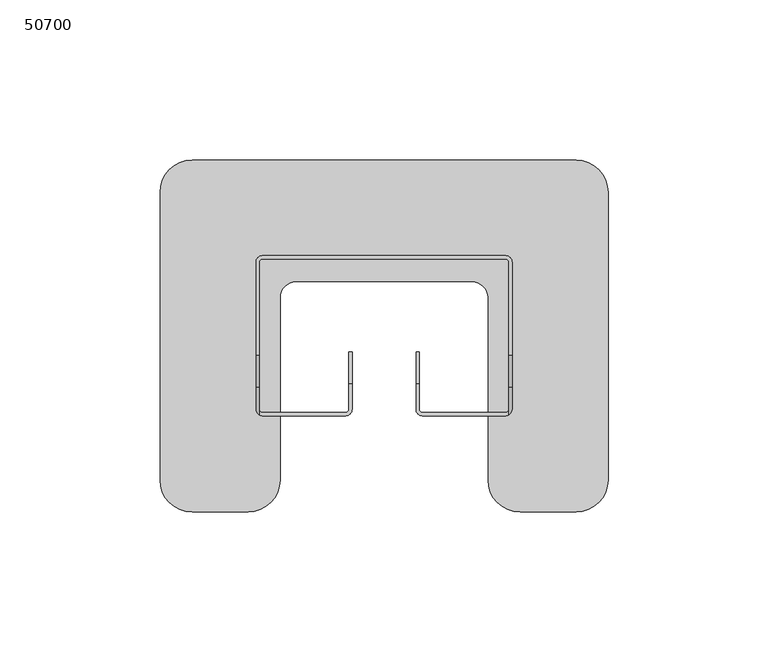
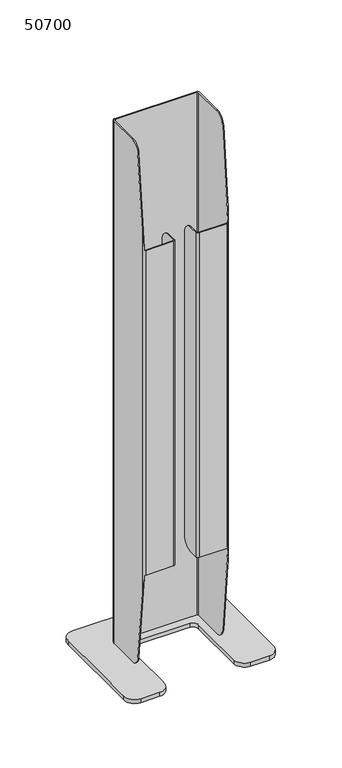
"""IFC4 building model written with IfcOpenShell, lengths in millimetres: furniture geometry, 50700."""

import ifcopenshell
import ifcopenshell.guid

model = None  # the IFC model being written
_history = None  # IfcOwnerHistory: only IFC2X3 demands one
_inside = {}  # id of a spatial element -> (the spatial element, [elements in it])
_under = {}  # id of a project, library or spatial element -> (it, [spatial elements below it])
_declared = {}  # id of a project -> (the project, [libraries it declares])
_typed = {}  # id of a type object -> (the type object, [elements of that type])
_made_of = {}  # id of a material, layer set ... -> (it, [elements and type objects made of it])


def new_model(schema):
    """Start an empty IFC model of exactly this schema.

    Asked for "IFC4X3", IfcOpenShell would pick the latest addendum, in which some entities
    have other attributes; the version numbers below select the first issue.
    IFC2X3 requires an IfcOwnerHistory on every rooted entity: one is made here for all.
    """
    global model, _history
    if schema == "IFC4X3":
        model = ifcopenshell.file(schema_version=(4, 3, 0, 0))
    else:
        model = ifcopenshell.file(schema=schema)
    _inside.clear()
    _under.clear()
    _declared.clear()
    _typed.clear()
    _made_of.clear()
    _history = None
    if model.schema == "IFC2X3":
        org = make("IfcOrganization", Name="unknown")
        user = make(
            "IfcPersonAndOrganization",
            ThePerson=make("IfcPerson", FamilyName="unknown"),
            TheOrganization=org,
        )
        app = make(
            "IfcApplication",
            ApplicationDeveloper=org,
            Version="unknown",
            ApplicationFullName="unknown",
            ApplicationIdentifier="unknown",
        )
        _history = make(
            "IfcOwnerHistory",
            OwningUser=user,
            OwningApplication=app,
            ChangeAction="ADDED",
            CreationDate=0,
        )
    return model


def make(cls, **values):
    """One entity of the class cls with the attributes given. An attribute that is None is left unset."""
    return model.create_entity(
        cls, **{name: value for name, value in values.items() if value is not None}
    )


def rooted(cls, **values):
    """An entity with a GlobalId (a new one), such as an element, a storey or a relation."""
    return make(cls, GlobalId=ifcopenshell.guid.new(), OwnerHistory=_history, **values)


def si_unit(unit_type, name, prefix=None):
    """IfcSIUnit, for example si_unit("LENGTHUNIT", "METRE", prefix="MILLI")."""
    return make("IfcSIUnit", UnitType=unit_type, Prefix=prefix, Name=name)


def assignment(units):
    """IfcUnitAssignment: the units of a project."""
    return None if units is None else make("IfcUnitAssignment", Units=units)


def point(xyz):
    """IfcCartesianPoint."""
    return None if xyz is None else make("IfcCartesianPoint", Coordinates=xyz)


def direction(xyz):
    """IfcDirection."""
    return None if xyz is None else make("IfcDirection", DirectionRatios=xyz)


def frame(location, z_axis=None, x_axis=None):
    """IfcAxis2Placement3D, a coordinate frame: its origin and axes. An axis left out is left unset."""
    return make(
        "IfcAxis2Placement3D",
        Location=point(location),
        Axis=direction(z_axis),
        RefDirection=direction(x_axis),
    )


def origin():
    """The frame at (0, 0, 0) with its axes left unset."""
    return frame((0.0, 0.0, 0.0))


def place(relative_to, where):
    """IfcLocalPlacement: puts the frame where relative to a parent placement (None: the world)."""
    return make(
        "IfcLocalPlacement", PlacementRelTo=relative_to, RelativePlacement=where
    )


def context(
    kind, dimensions, precision=None, world=None, true_north=None, identifier=None
):
    """IfcGeometricRepresentationContext, for example the 3D "Model" context."""
    return make(
        "IfcGeometricRepresentationContext",
        ContextIdentifier=identifier,
        ContextType=kind,
        CoordinateSpaceDimension=dimensions,
        Precision=precision,
        WorldCoordinateSystem=world,
        TrueNorth=true_north,
    )


def project(units=None, contexts=None):
    """IfcProject with its units and contexts."""
    return rooted(
        "IfcProject",
        Name="project",
        RepresentationContexts=contexts,
        UnitsInContext=assignment(units),
    )


def spatial(cls, under=None, at=None, **own):
    """A site, building, storey or space (cls), placed at a placement, below another one or the project."""
    s = rooted(cls, ObjectPlacement=at, **own)
    if under is not None:
        _under.setdefault(under.id(), (under, []))[1].append(s)
    return s


def polyline(points):
    """IfcPolyline through the points."""
    return make("IfcPolyline", Points=[point(p) for p in points])


def circle_curve(where, radius):
    """IfcCircle in the frame where."""
    return make("IfcCircle", Position=where, Radius=radius)


def ellipse_curve(where, semi_axis1, semi_axis2):
    """IfcEllipse in the frame where."""
    return make(
        "IfcEllipse", Position=where, SemiAxis1=semi_axis1, SemiAxis2=semi_axis2
    )


def shape(context_of_items, identifier, shape_type, items):
    """IfcShapeRepresentation: the items that make up one representation, for example the "Body"."""
    return make(
        "IfcShapeRepresentation",
        ContextOfItems=context_of_items,
        RepresentationIdentifier=identifier,
        RepresentationType=shape_type,
        Items=items,
    )


def source(mapping_origin, context_of_items, identifier, shape_type, items):
    """IfcRepresentationMap: a shape defined once, which mapped items show again and again."""
    return make(
        "IfcRepresentationMap",
        MappingOrigin=mapping_origin,
        MappedRepresentation=shape(context_of_items, identifier, shape_type, items),
    )


def transform(
    local_origin,
    x_axis=None,
    y_axis=None,
    z_axis=None,
    scale=None,
    scale2=None,
    scale3=None,
    uniform=True,
):
    """IfcCartesianTransformationOperator3D, or its non-uniform kind. x_axis, y_axis, z_axis: its Axis1, 2, 3."""
    if uniform:
        return make(
            "IfcCartesianTransformationOperator3D",
            Axis1=direction(x_axis),
            Axis2=direction(y_axis),
            LocalOrigin=point(local_origin),
            Scale=scale,
            Axis3=direction(z_axis),
        )
    return make(
        "IfcCartesianTransformationOperator3DnonUniform",
        Axis1=direction(x_axis),
        Axis2=direction(y_axis),
        LocalOrigin=point(local_origin),
        Scale=scale,
        Axis3=direction(z_axis),
        Scale2=scale2,
        Scale3=scale3,
    )


def mapped(mapping_source, mapping_target):
    """IfcMappedItem: shows the shape of a source again, moved by a transform."""
    return make(
        "IfcMappedItem", MappingSource=mapping_source, MappingTarget=mapping_target
    )


def made_of(thing, what):
    """Note that an element or type object is made of a material, layer set ...; save() writes the relation."""
    if what is not None:
        _made_of.setdefault(what.id(), (what, []))[1].append(thing)
    return thing


def element(
    cls,
    number,
    at=None,
    inside=None,
    cuts=None,
    type_object=None,
    material=None,
    context=None,
    identifier="Body",
    shape_type=None,
    held_by="IfcProductDefinitionShape",
    body=None,
    shapes=None,
    **own,
):
    """One element of the class cls, such as IfcWall. Its Tag is "e" and its number.

    at: its placement. inside: the storey or other place that contains it. cuts: it is an
    opening in that element (IfcRelVoidsElement). A single representation is given by context,
    identifier, shape_type and body (its items); several are given by shapes. held_by: the class
    of the entity that holds the representations. save() writes the other relations.
    """
    e = rooted(cls, Tag="e%d" % number, ObjectPlacement=at, **own)
    if body is not None:
        shapes = [shape(context, identifier, shape_type, body)]
    if shapes is not None:
        e.Representation = make(held_by, Representations=shapes)
    if inside is not None:
        _inside.setdefault(inside.id(), (inside, []))[1].append(e)
    if cuts is not None:
        rooted(
            "IfcRelVoidsElement", RelatingBuildingElement=cuts, RelatedOpeningElement=e
        )
    if type_object is not None:
        _typed.setdefault(type_object.id(), (type_object, []))[1].append(e)
    return made_of(e, material)


def aggregate(whole, parts):
    """IfcRelAggregates: a whole, such as a stair, and the parts it consists of."""
    return rooted("IfcRelAggregates", RelatingObject=whole, RelatedObjects=parts)


def save(model, path):
    """Write the relations noted so far, then the file.

    IfcRelAggregates (storeys below a building ...), IfcRelContainedInSpatialStructure (elements
    in a storey), IfcRelDefinesByType, IfcRelAssociatesMaterial and IfcRelDeclares: one each for
    every whole, place, type object, material and project.
    """
    for whole, parts in _under.values():
        aggregate(whole, parts)
    for where, things in _inside.values():
        rooted(
            "IfcRelContainedInSpatialStructure",
            RelatedElements=things,
            RelatingStructure=where,
        )
    for kind, things in _typed.values():
        rooted("IfcRelDefinesByType", RelatedObjects=things, RelatingType=kind)
    for what, things in _made_of.values():
        rooted("IfcRelAssociatesMaterial", RelatedObjects=things, RelatingMaterial=what)
    for by, libraries in _declared.values():
        rooted("IfcRelDeclares", RelatingContext=by, RelatedDefinitions=libraries)
    model.write(path)


def plane_surface(at):
    """IfcPlane: the flat surface through the origin of the frame at, square to its z axis."""
    return make("IfcPlane", Position=at)


def cylinder_surface(at, radius):
    """IfcCylindricalSurface: all points at the distance radius from the z axis of the frame at."""
    return make("IfcCylindricalSurface", Position=at, Radius=radius)


def revolved_surface(curve, axis_point, axis_direction):
    """IfcSurfaceOfRevolution: the curve turned about the line through axis_point along axis_direction."""
    return make(
        "IfcSurfaceOfRevolution",
        SweptCurve=make("IfcArbitraryOpenProfileDef", ProfileType="CURVE", Curve=curve),
        AxisPosition=make("IfcAxis1Placement", Location=point(axis_point), Axis=direction(axis_direction)),
    )


def advanced_brep(points, edges, surfaces, faces):
    """IfcAdvancedBrep: a solid bounded by faces that lie on surfaces and meet in shared edges.

    An edge is (start, end): straight between two places in points (the first is 0);
    or (start, end, curve); or (start, end, curve, False) where it runs against its curve.
    A face is (place in surfaces, loops), or (place, loops, False) where it looks against
    its surface's normal. A loop lists edges by number (the first is 1), with a minus sign
    where the edge is run from its end to its start. The first loop is the outer one.
    """
    corners = [point(p) for p in points]
    vertices = [make("IfcVertexPoint", VertexGeometry=c) for c in corners]
    made = []
    for start, end, *more in edges:
        made.append(
            make(
                "IfcEdgeCurve",
                EdgeStart=vertices[start],
                EdgeEnd=vertices[end],
                EdgeGeometry=more[0] if more else make("IfcPolyline", Points=[corners[start], corners[end]]),
                SameSense=more[1] if len(more) > 1 else True,
            )
        )
    hull = []
    for where, loops, *sense in faces:
        bounds = []
        for j, loop in enumerate(loops):
            ring = [make("IfcOrientedEdge", EdgeElement=made[abs(k) - 1], Orientation=k > 0) for k in loop]
            bounds.append(
                make(
                    "IfcFaceOuterBound" if j == 0 else "IfcFaceBound",
                    Bound=make("IfcEdgeLoop", EdgeList=ring),
                    Orientation=True,
                )
            )
        hull.append(make("IfcAdvancedFace", Bounds=bounds, FaceSurface=surfaces[where], SameSense=sense[0] if sense else True))
    return make("IfcAdvancedBrep", Outer=make("IfcClosedShell", CfsFaces=hull))


def furniture_50700_8c9eba67(model_context):
    return source(origin(), model_context, "Body", "AdvancedBrep", [
        advanced_brep(
        [(-70.0, -100.0, 4.0), (-60.0, -110.0, 4.0), (-42.5, -110.0, 4.0), (-32.5, -100.0, 4.0), (-32.5, -97.8447101, 4.0), (-32.5, -61.0, 4.0), (-32.5, -43.0, 4.0), (-27.5, -38.0, 4.0), (27.5, -38.0, 4.0), (32.5, -43.0, 4.0), (32.5, -61.0, 4.0), (32.5, -97.8447101, 4.0), (32.5, -100.0, 4.0), (42.5, -110.0, 4.0), (60.0, -110.0, 4.0), (70.0, -100.0, 4.0), (70.0, -97.8447101, 4.0), (70.0, -61.0, 4.0), (70.0, -10.0, 4.0), (60.0, 0.0, 4.0), (-60.0, 0.0, 4.0), (-70.0, -10.0, 4.0), (-70.0, -61.0, 4.0), (-70.0, -97.8447101, 4.0), (-70.0, -100.0, 0.0), (-70.0, -10.0, 0.0), (-60.0, 0.0, 0.0), (60.0, 0.0, 0.0), (70.0, -10.0, 0.0), (70.0, -100.0, 0.0), (60.0, -110.0, 0.0), (42.5, -110.0, 0.0), (32.5, -100.0, 0.0), (32.5, -43.0, 0.0), (27.5, -38.0, 0.0), (-27.5, -38.0, 0.0), (-32.5, -43.0, 0.0), (-32.5, -100.0, 0.0), (-42.5, -110.0, 0.0), (-60.0, -110.0, 0.0)],
        [
            (0, 1, circle_curve(frame((-60.0, -100.0, 4.0), z_axis=(0.0, 0.0, 1.0), x_axis=(1.0, 0.0, 0.0)), 10.0)),
            (1, 2),
            (2, 3, circle_curve(frame((-42.5, -100.0, 4.0), z_axis=(0.0, 0.0, 1.0), x_axis=(1.0, 0.0, 0.0)), 10.0)),
            (3, 4),
            (4, 5),
            (5, 6),
            (6, 7, circle_curve(frame((-27.5, -43.0, 4.0), z_axis=(0.0, 0.0, -1.0), x_axis=(1.0, 0.0, 0.0)), 5.0)),
            (7, 8),
            (8, 9, circle_curve(frame((27.5, -43.0, 4.0), z_axis=(0.0, 0.0, -1.0), x_axis=(1.0, 0.0, 0.0)), 5.0)),
            (9, 10),
            (10, 11),
            (11, 12),
            (12, 13, circle_curve(frame((42.5, -100.0, 4.0), z_axis=(0.0, 0.0, 1.0), x_axis=(1.0, 0.0, 0.0)), 10.0)),
            (13, 14),
            (14, 15, circle_curve(frame((60.0, -100.0, 4.0), z_axis=(0.0, 0.0, 1.0), x_axis=(1.0, 0.0, 0.0)), 10.0)),
            (15, 16),
            (16, 17),
            (17, 18),
            (18, 19, circle_curve(frame((60.0, -10.0, 4.0), z_axis=(0.0, 0.0, 1.0), x_axis=(1.0, 0.0, 0.0)), 10.0)),
            (19, 20),
            (20, 21, circle_curve(frame((-60.0, -10.0, 4.0), z_axis=(0.0, 0.0, 1.0), x_axis=(1.0, 0.0, 0.0)), 10.0)),
            (21, 22),
            (22, 23),
            (23, 0),
            (24, 25),
            (25, 26, circle_curve(frame((-60.0, -10.0, 0.0), z_axis=(0.0, 0.0, -1.0), x_axis=(1.0, 0.0, 0.0)), 10.0)),
            (26, 27),
            (27, 28, circle_curve(frame((60.0, -10.0, 0.0), z_axis=(0.0, 0.0, -1.0), x_axis=(1.0, 0.0, 0.0)), 10.0)),
            (28, 29),
            (29, 30, circle_curve(frame((60.0, -100.0, 0.0), z_axis=(0.0, 0.0, -1.0), x_axis=(1.0, 0.0, 0.0)), 10.0)),
            (30, 31),
            (31, 32, circle_curve(frame((42.5, -100.0, 0.0), z_axis=(0.0, 0.0, -1.0), x_axis=(1.0, 0.0, 0.0)), 10.0)),
            (32, 33),
            (33, 34, circle_curve(frame((27.5, -43.0, 0.0), z_axis=(0.0, 0.0, 1.0), x_axis=(1.0, 0.0, 0.0)), 5.0)),
            (34, 35),
            (35, 36, circle_curve(frame((-27.5, -43.0, 0.0), z_axis=(0.0, 0.0, 1.0), x_axis=(1.0, 0.0, 0.0)), 5.0)),
            (36, 37),
            (37, 38, circle_curve(frame((-42.5, -100.0, 0.0), z_axis=(0.0, 0.0, -1.0), x_axis=(1.0, 0.0, 0.0)), 10.0)),
            (38, 39),
            (39, 24, circle_curve(frame((-60.0, -100.0, 0.0), z_axis=(0.0, 0.0, -1.0), x_axis=(1.0, 0.0, 0.0)), 10.0)),
            (0, 24),
            (39, 1),
            (38, 2),
            (37, 3),
            (36, 6),
            (35, 7),
            (34, 8),
            (33, 9),
            (32, 12),
            (31, 13),
            (30, 14),
            (29, 15),
            (28, 18),
            (27, 19),
            (26, 20),
            (25, 21),
        ],
        [
            plane_surface(frame((-50.0, -100.0, 4.0), z_axis=(0.0, 0.0, 1.0), x_axis=(0.0, 1.0, 0.0))),
            plane_surface(frame((-50.0, -100.0, 0.0), z_axis=(0.0, 0.0, -1.0), x_axis=(0.0, -1.0, 0.0))),
            cylinder_surface(frame((-60.0, -100.0, 0.0), z_axis=(0.0, 0.0, 1.0), x_axis=(1.0, 0.0, 0.0)), 10.0),
            plane_surface(frame((-60.0, -110.0, 4.0), z_axis=(0.0, -1.0, 0.0), x_axis=(0.0, 0.0, -1.0))),
            cylinder_surface(frame((-42.5, -100.0, 0.0), z_axis=(0.0, 0.0, 1.0), x_axis=(1.0, 0.0, 0.0)), 10.0),
            plane_surface(frame((-32.5, -100.0, 4.0), z_axis=(1.0, 0.0, 0.0), x_axis=(0.0, 0.0, -1.0))),
            revolved_surface(polyline([(-22.5, -43.0, 0.0), (-22.5, -43.0, 4.0)]), (-27.5, -43.0, 0.0), (0.0, 0.0, -1.0)),
            plane_surface(frame((-27.5, -38.0, 4.0), z_axis=(0.0, -1.0, 0.0), x_axis=(0.0, 0.0, -1.0))),
            revolved_surface(polyline([(32.5, -43.0, 0.0), (32.5, -43.0, 4.0)]), (27.5, -43.0, 0.0), (0.0, 0.0, -1.0)),
            plane_surface(frame((32.5, -43.0, 4.0), z_axis=(-1.0, 0.0, 0.0), x_axis=(0.0, 0.0, -1.0))),
            cylinder_surface(frame((42.5, -100.0, 0.0), z_axis=(0.0, 0.0, 1.0), x_axis=(1.0, 0.0, 0.0)), 10.0),
            plane_surface(frame((42.5, -110.0, 4.0), z_axis=(0.0, -1.0, 0.0), x_axis=(0.0, 0.0, -1.0))),
            cylinder_surface(frame((60.0, -100.0, 0.0), z_axis=(0.0, 0.0, 1.0), x_axis=(1.0, 0.0, 0.0)), 10.0),
            plane_surface(frame((70.0, -100.0, 4.0), z_axis=(1.0, 0.0, 0.0), x_axis=(0.0, 0.0, -1.0))),
            cylinder_surface(frame((60.0, -10.0, 0.0), z_axis=(0.0, 0.0, 1.0), x_axis=(1.0, 0.0, 0.0)), 10.0),
            plane_surface(frame((60.0, 0.0, 4.0), z_axis=(0.0, 1.0, 0.0), x_axis=(0.0, 0.0, -1.0))),
            cylinder_surface(frame((-60.0, -10.0, 0.0), z_axis=(0.0, 0.0, 1.0), x_axis=(1.0, 0.0, 0.0)), 10.0),
            plane_surface(frame((-70.0, -10.0, 4.0), z_axis=(-1.0, 0.0, 0.0), x_axis=(0.0, 0.0, -1.0))),
        ],
        [
            (0, [[1, 2, 3, 4, 5, 6, 7, 8, 9, 10, 11, 12, 13, 14, 15, 16, 17, 18, 19, 20, 21, 22, 23, 24]]),
            (1, [[25, 26, 27, 28, 29, 30, 31, 32, 33, 34, 35, 36, 37, 38, 39, 40]]),
            (2, [[-1, 41, -40, 42]]),
            (3, [[-2, -42, -39, 43]]),
            (4, [[-3, -43, -38, 44]]),
            (5, [[-37, 45, -6, -5, -4, -44]]),
            (6, [[-7, -45, -36, 46]]),
            (7, [[-8, -46, -35, 47]]),
            (8, [[-9, -47, -34, 48]]),
            (9, [[-33, 49, -12, -11, -10, -48]]),
            (10, [[-13, -49, -32, 50]]),
            (11, [[-14, -50, -31, 51]]),
            (12, [[-15, -51, -30, 52]]),
            (13, [[-29, 53, -18, -17, -16, -52]]),
            (14, [[-19, -53, -28, 54]]),
            (15, [[-20, -54, -27, 55]]),
            (16, [[-21, -55, -26, 56]]),
            (17, [[-25, -41, -24, -23, -22, -56]]),
        ],
    ),
        advanced_brep(
        [(38.0, -30.0, 520.0), (-38.0, -30.0, 520.0), (-40.0, -32.0, 520.0), (-40.0, -61.0, 520.0), (-39.0, -61.0, 520.0), (-39.0, -32.0, 520.0), (-38.0, -31.0, 520.0), (38.0, -31.0, 520.0), (39.0, -32.0, 520.0), (39.0, -61.0, 520.0), (40.0, -61.0, 520.0), (40.0, -32.0, 520.0), (38.0, -30.0, 4.0), (40.0, -32.0, 4.0), (40.0, -61.0, 4.0), (39.0, -61.0, 4.0), (39.0, -32.0, 4.0), (38.0, -31.0, 4.0), (-38.0, -31.0, 4.0), (-39.0, -32.0, 4.0), (-39.0, -61.0, 4.0), (-40.0, -61.0, 4.0), (-40.0, -32.0, 4.0), (-38.0, -30.0, 4.0), (-40.0, -70.9463305, 12.9653456), (-40.0, -78.0, 80.773618), (-40.0, -78.0, 440.1102302), (-40.0, -70.9509105, 510.9896367), (-38.0, -80.0, 100.0), (-38.0, -80.0, 420.0), (-39.0, -79.7320508, 420.0), (-39.0, -79.7320508, 422.69426), (-39.0, -79.7320508, 97.4241532), (-39.0, -79.7320508, 100.0), (-12.0, -80.0, 100.0), (-12.0, -80.0, 420.0), (-10.0, -78.0, 100.0), (-10.0, -78.0, 420.0), (-10.0, -70.0, 100.0), (-10.0, -60.0, 110.0), (-10.0, -60.0, 410.0), (-10.0, -70.0, 420.0), (-11.0, -60.0, 110.0), (-11.0, -60.0, 410.0), (-11.0, -78.0, 100.0), (-11.0, -78.0, 420.0), (-11.0, -70.0, 420.0), (-11.0, -70.0, 100.0), (-12.0, -79.0, 100.0), (-12.0, -79.0, 420.0), (-38.0, -79.0, 100.0), (-38.0, -79.0, 420.0), (-39.0, -78.0, 100.0), (-39.0, -78.0, 420.0), (-39.0, -70.9509105, 510.9896367), (-39.0, -70.9463305, 12.9653456), (39.0, -70.9463305, 12.9653456), (39.0, -79.7320508, 97.4241532), (39.0, -79.7320508, 100.0), (39.0, -78.0, 100.0), (39.0, -78.0, 420.0), (39.0, -79.7320508, 420.0), (39.0, -79.7320508, 422.69426), (39.0, -70.9509105, 510.9896367), (38.0, -79.0, 100.0), (38.0, -79.0, 420.0), (12.0, -79.0, 100.0), (12.0, -79.0, 420.0), (11.0, -78.0, 100.0), (11.0, -78.0, 420.0), (11.0, -70.0, 100.0), (11.0, -60.0, 110.0), (11.0, -60.0, 410.0), (11.0, -70.0, 420.0), (10.0, -60.0, 110.0), (10.0, -60.0, 410.0), (10.0, -78.0, 100.0), (10.0, -78.0, 420.0), (10.0, -70.0, 420.0), (10.0, -70.0, 100.0), (12.0, -80.0, 100.0), (12.0, -80.0, 420.0), (38.0, -80.0, 100.0), (38.0, -80.0, 420.0), (40.0, -78.0, 80.773618), (40.0, -78.0, 440.1102302), (40.0, -70.9509105, 510.9896367), (40.0, -70.9463305, 12.9653456)],
        [
            (0, 1),
            (1, 2, circle_curve(frame((-38.0, -32.0, 520.0), z_axis=(0.0, 0.0, 1.0), x_axis=(1.0, 0.0, 0.0)), 2.0)),
            (2, 3),
            (3, 4),
            (4, 5),
            (5, 6, circle_curve(frame((-38.0, -32.0, 520.0), z_axis=(0.0, 0.0, -1.0), x_axis=(1.0, 0.0, 0.0)), 1.0)),
            (6, 7),
            (7, 8, circle_curve(frame((38.0, -32.0, 520.0), z_axis=(0.0, 0.0, -1.0), x_axis=(1.0, 0.0, 0.0)), 1.0)),
            (8, 9),
            (9, 10),
            (10, 11),
            (11, 0, circle_curve(frame((38.0, -32.0, 520.0), z_axis=(0.0, 0.0, 1.0), x_axis=(1.0, 0.0, 0.0)), 2.0)),
            (12, 13, circle_curve(frame((38.0, -32.0, 4.0), z_axis=(0.0, 0.0, -1.0), x_axis=(1.0, 0.0, 0.0)), 2.0)),
            (13, 14),
            (14, 15),
            (15, 16),
            (16, 17, circle_curve(frame((38.0, -32.0, 4.0), z_axis=(0.0, 0.0, 1.0), x_axis=(1.0, 0.0, 0.0)), 1.0)),
            (17, 18),
            (18, 19, circle_curve(frame((-38.0, -32.0, 4.0), z_axis=(0.0, 0.0, 1.0), x_axis=(1.0, 0.0, 0.0)), 1.0)),
            (19, 20),
            (20, 21),
            (21, 22),
            (22, 23, circle_curve(frame((-38.0, -32.0, 4.0), z_axis=(0.0, 0.0, -1.0), x_axis=(1.0, 0.0, 0.0)), 2.0)),
            (23, 12),
            (0, 12),
            (23, 1),
            (22, 2),
            (21, 24, circle_curve(frame((-40.0, -61.0, 14.0), z_axis=(-1.0, 0.0, 0.0), x_axis=(0.0, 1.0, 0.0)), 10.0)),
            (24, 25),
            (25, 26),
            (26, 27),
            (27, 3, circle_curve(frame((-40.0, -61.0, 510.0), z_axis=(-1.0, 0.0, 0.0), x_axis=(0.0, 1.0, 0.0)), 10.0)),
            (28, 29),
            (29, 30, circle_curve(frame((-38.0, -78.0, 420.0), z_axis=(0.0, 0.0, -1.0), x_axis=(1.0, 0.0, 0.0)), 2.0)),
            (30, 31),
            (31, 26, ellipse_curve(frame((-38.0, -78.0, 440.1102302), z_axis=(0.0, 0.9950910475392052, -0.09896366559160667), x_axis=(0.0, 0.09896366559160667, 0.9950910475392051)), 20.2094374, 2.0)),
            (25, 32, ellipse_curve(frame((-38.0, -78.0, 80.773618), z_axis=(0.0, 0.9946330491688518, 0.10346544109543365), x_axis=(0.0, -0.10346544109543365, 0.9946330491688516)), 19.3301259, 2.0)),
            (32, 33),
            (33, 28, circle_curve(frame((-38.0, -78.0, 100.0), z_axis=(0.0, 0.0, 1.0), x_axis=(1.0, 0.0, 0.0)), 2.0)),
            (28, 34),
            (34, 35),
            (35, 29),
            (34, 36, circle_curve(frame((-12.0, -78.0, 100.0), z_axis=(0.0, 0.0, 1.0), x_axis=(1.0, 0.0, 0.0)), 2.0)),
            (36, 37),
            (37, 35, circle_curve(frame((-12.0, -78.0, 420.0), z_axis=(0.0, 0.0, -1.0), x_axis=(1.0, 0.0, 0.0)), 2.0)),
            (36, 38),
            (38, 39, circle_curve(frame((-10.0, -70.0, 110.0), z_axis=(1.0, 0.0, 0.0), x_axis=(0.0, 1.0, 0.0)), 10.0)),
            (39, 40),
            (40, 41, circle_curve(frame((-10.0, -70.0, 410.0), z_axis=(1.0, 0.0, 0.0), x_axis=(0.0, 1.0, 0.0)), 10.0)),
            (41, 37),
            (39, 42),
            (42, 43),
            (43, 40),
            (44, 45),
            (45, 46),
            (46, 43, circle_curve(frame((-11.0, -70.0, 410.0), z_axis=(-1.0, 0.0, 0.0), x_axis=(0.0, 1.0, 0.0)), 10.0)),
            (42, 47, circle_curve(frame((-11.0, -70.0, 110.0), z_axis=(-1.0, 0.0, 0.0), x_axis=(0.0, 1.0, 0.0)), 10.0)),
            (47, 44),
            (44, 48, circle_curve(frame((-12.0, -78.0, 100.0), z_axis=(0.0, 0.0, -1.0), x_axis=(1.0, 0.0, 0.0)), 1.0)),
            (48, 49),
            (49, 45, circle_curve(frame((-12.0, -78.0, 420.0), z_axis=(0.0, 0.0, 1.0), x_axis=(1.0, 0.0, 0.0)), 1.0)),
            (48, 50),
            (50, 51),
            (51, 49),
            (50, 52, circle_curve(frame((-38.0, -78.0, 100.0), z_axis=(0.0, 0.0, -1.0), x_axis=(1.0, 0.0, 0.0)), 1.0)),
            (52, 53),
            (53, 51, circle_curve(frame((-38.0, -78.0, 420.0), z_axis=(0.0, 0.0, 1.0), x_axis=(1.0, 0.0, 0.0)), 1.0)),
            (19, 5),
            (4, 54, circle_curve(frame((-39.0, -61.0, 510.0), z_axis=(1.0, 0.0, 0.0), x_axis=(0.0, 1.0, 0.0)), 10.0)),
            (54, 31),
            (30, 53),
            (52, 33),
            (32, 55),
            (55, 20, circle_curve(frame((-39.0, -61.0, 14.0), z_axis=(1.0, 0.0, 0.0), x_axis=(0.0, 1.0, 0.0)), 10.0)),
            (18, 6),
            (17, 7),
            (16, 8),
            (15, 56, circle_curve(frame((39.0, -61.0, 14.0), z_axis=(-1.0, 0.0, 0.0), x_axis=(0.0, 1.0, 0.0)), 10.0)),
            (56, 57),
            (57, 58),
            (58, 59),
            (59, 60),
            (60, 61),
            (61, 62),
            (62, 63),
            (63, 9, circle_curve(frame((39.0, -61.0, 510.0), z_axis=(-1.0, 0.0, 0.0), x_axis=(0.0, 1.0, 0.0)), 10.0)),
            (59, 64, circle_curve(frame((38.0, -78.0, 100.0), z_axis=(0.0, 0.0, -1.0), x_axis=(1.0, 0.0, 0.0)), 1.0)),
            (64, 65),
            (65, 60, circle_curve(frame((38.0, -78.0, 420.0), z_axis=(0.0, 0.0, 1.0), x_axis=(1.0, 0.0, 0.0)), 1.0)),
            (64, 66),
            (66, 67),
            (67, 65),
            (66, 68, circle_curve(frame((12.0, -78.0, 100.0), z_axis=(0.0, 0.0, -1.0), x_axis=(1.0, 0.0, 0.0)), 1.0)),
            (68, 69),
            (69, 67, circle_curve(frame((12.0, -78.0, 420.0), z_axis=(0.0, 0.0, 1.0), x_axis=(1.0, 0.0, 0.0)), 1.0)),
            (68, 70),
            (70, 71, circle_curve(frame((11.0, -70.0, 110.0), z_axis=(1.0, 0.0, 0.0), x_axis=(0.0, 1.0, 0.0)), 10.0)),
            (71, 72),
            (72, 73, circle_curve(frame((11.0, -70.0, 410.0), z_axis=(1.0, 0.0, 0.0), x_axis=(0.0, 1.0, 0.0)), 10.0)),
            (73, 69),
            (71, 74),
            (74, 75),
            (75, 72),
            (76, 77),
            (77, 78),
            (78, 75, circle_curve(frame((10.0, -70.0, 410.0), z_axis=(-1.0, 0.0, 0.0), x_axis=(0.0, 1.0, 0.0)), 10.0)),
            (74, 79, circle_curve(frame((10.0, -70.0, 110.0), z_axis=(-1.0, 0.0, 0.0), x_axis=(0.0, 1.0, 0.0)), 10.0)),
            (79, 76),
            (80, 81),
            (81, 77, circle_curve(frame((12.0, -78.0, 420.0), z_axis=(0.0, 0.0, -1.0), x_axis=(1.0, 0.0, 0.0)), 2.0)),
            (76, 80, circle_curve(frame((12.0, -78.0, 100.0), z_axis=(0.0, 0.0, 1.0), x_axis=(1.0, 0.0, 0.0)), 2.0)),
            (80, 82),
            (82, 83),
            (83, 81),
            (82, 58, circle_curve(frame((38.0, -78.0, 100.0), z_axis=(0.0, 0.0, 1.0), x_axis=(1.0, 0.0, 0.0)), 2.0)),
            (57, 84, ellipse_curve(frame((38.0, -78.0, 80.773618), z_axis=(0.0, 0.9946330491688518, 0.10346544109543365), x_axis=(0.0, -0.10346544109543365, 0.9946330491688516)), 19.3301259, 2.0)),
            (84, 85),
            (85, 62, ellipse_curve(frame((38.0, -78.0, 440.1102302), z_axis=(0.0, 0.9950910475392052, -0.09896366559160667), x_axis=(0.0, 0.09896366559160667, 0.9950910475392051)), 20.2094374, 2.0)),
            (61, 83, circle_curve(frame((38.0, -78.0, 420.0), z_axis=(0.0, 0.0, -1.0), x_axis=(1.0, 0.0, 0.0)), 2.0)),
            (13, 11),
            (10, 86, circle_curve(frame((40.0, -61.0, 510.0), z_axis=(1.0, 0.0, 0.0), x_axis=(0.0, 1.0, 0.0)), 10.0)),
            (86, 85),
            (84, 87),
            (87, 14, circle_curve(frame((40.0, -61.0, 14.0), z_axis=(1.0, 0.0, 0.0), x_axis=(0.0, 1.0, 0.0)), 10.0)),
            (27, 54),
            (63, 86),
            (47, 38),
            (79, 70),
            (41, 46),
            (73, 78),
            (55, 24),
            (87, 56),
        ],
        [
            plane_surface(frame((-40.0, -30.0, 520.0), z_axis=(0.0, 0.0, 1.0), x_axis=(-1.0, 0.0, 0.0))),
            plane_surface(frame((-40.0, -30.0, 4.0), z_axis=(0.0, 0.0, -1.0), x_axis=(1.0, 0.0, 0.0))),
            plane_surface(frame((38.0, -30.0, 520.0), z_axis=(0.0, 1.0, 0.0), x_axis=(0.0, 0.0, -1.0))),
            cylinder_surface(frame((-38.0, -32.0, 4.0), z_axis=(0.0, 0.0, 1.0), x_axis=(1.0, 0.0, 0.0)), 2.0),
            plane_surface(frame((-40.0, -32.0, 520.0), z_axis=(-1.0, 0.0, 0.0), x_axis=(0.0, 0.0, -1.0))),
            cylinder_surface(frame((-38.0, -78.0, 4.0), z_axis=(0.0, 0.0, 1.0), x_axis=(1.0, 0.0, 0.0)), 2.0),
            plane_surface(frame((-38.0, -80.0, 520.0), z_axis=(0.0, -1.0, 0.0), x_axis=(0.0, 0.0, -1.0))),
            cylinder_surface(frame((-12.0, -78.0, 4.0), z_axis=(0.0, 0.0, 1.0), x_axis=(1.0, 0.0, 0.0)), 2.0),
            plane_surface(frame((-10.0, -78.0, 520.0), z_axis=(1.0, 0.0, 0.0), x_axis=(0.0, 0.0, -1.0))),
            plane_surface(frame((-10.0, -60.0, 520.0), z_axis=(0.0, 1.0, 0.0), x_axis=(0.0, 0.0, -1.0))),
            plane_surface(frame((-11.0, -60.0, 520.0), z_axis=(-1.0, 0.0, 0.0), x_axis=(0.0, 0.0, -1.0))),
            revolved_surface(polyline([(-11.0, -78.0, 100.0), (-11.0, -78.0, 420.0)]), (-12.0, -78.0, 4.0), (0.0, 0.0, -1.0)),
            plane_surface(frame((-12.0, -79.0, 520.0), z_axis=(0.0, 1.0, 0.0), x_axis=(0.0, 0.0, -1.0))),
            revolved_surface(polyline([(-37.0, -78.0, 100.0), (-37.0, -78.0, 420.0)]), (-38.0, -78.0, 4.0), (0.0, 0.0, -1.0)),
            plane_surface(frame((-39.0, -78.0, 520.0), z_axis=(1.0, 0.0, 0.0), x_axis=(0.0, 0.0, -1.0))),
            revolved_surface(polyline([(-37.0, -32.0, 4.0), (-37.0, -32.0, 520.0)]), (-38.0, -32.0, 4.0), (0.0, 0.0, -1.0)),
            plane_surface(frame((-38.0, -31.0, 520.0), z_axis=(0.0, -1.0, 0.0), x_axis=(0.0, 0.0, -1.0))),
            revolved_surface(polyline([(39.0, -32.0, 4.0), (39.0, -32.0, 520.0)]), (38.0, -32.0, 4.0), (0.0, 0.0, -1.0)),
            plane_surface(frame((39.0, -32.0, 520.0), z_axis=(-1.0, 0.0, 0.0), x_axis=(0.0, 0.0, -1.0))),
            revolved_surface(polyline([(39.0, -78.0, 100.0), (39.0, -78.0, 420.0)]), (38.0, -78.0, 4.0), (0.0, 0.0, -1.0)),
            plane_surface(frame((38.0, -79.0, 520.0), z_axis=(0.0, 1.0, 0.0), x_axis=(0.0, 0.0, -1.0))),
            revolved_surface(polyline([(13.0, -78.0, 100.0), (13.0, -78.0, 420.0)]), (12.0, -78.0, 4.0), (0.0, 0.0, -1.0)),
            plane_surface(frame((11.0, -78.0, 520.0), z_axis=(1.0, 0.0, 0.0), x_axis=(0.0, 0.0, -1.0))),
            plane_surface(frame((11.0, -60.0, 520.0), z_axis=(0.0, 1.0, 0.0), x_axis=(0.0, 0.0, -1.0))),
            plane_surface(frame((10.0, -60.0, 520.0), z_axis=(-1.0, 0.0, 0.0), x_axis=(0.0, 0.0, -1.0))),
            cylinder_surface(frame((12.0, -78.0, 4.0), z_axis=(0.0, 0.0, 1.0), x_axis=(1.0, 0.0, 0.0)), 2.0),
            plane_surface(frame((12.0, -80.0, 520.0), z_axis=(0.0, -1.0, 0.0), x_axis=(0.0, 0.0, -1.0))),
            cylinder_surface(frame((38.0, -78.0, 4.0), z_axis=(0.0, 0.0, 1.0), x_axis=(1.0, 0.0, 0.0)), 2.0),
            plane_surface(frame((40.0, -78.0, 520.0), z_axis=(1.0, 0.0, 0.0), x_axis=(0.0, 0.0, -1.0))),
            cylinder_surface(frame((38.0, -32.0, 4.0), z_axis=(0.0, 0.0, 1.0), x_axis=(1.0, 0.0, 0.0)), 2.0),
            cylinder_surface(frame((-70.0, -61.0, 510.0), z_axis=(-1.0, 0.0, 0.0), x_axis=(0.0, 1.0, 0.0)), 10.0),
            plane_surface(frame((70.0, -80.0, 420.0), z_axis=(0.0, -0.9950910475392052, 0.09896366559160667), x_axis=(-1.0, 0.0, 0.0))),
            plane_surface(frame((-39.0, -38.0, 100.0), z_axis=(0.0, 0.0, -1.0), x_axis=(-1.0, 0.0, 0.0))),
            plane_surface(frame((-39.0, -38.0, 420.0), z_axis=(0.0, 0.0, 1.0), x_axis=(1.0, 0.0, 0.0))),
            cylinder_surface(frame((-32.5, -70.0, 410.0), z_axis=(-1.0, 0.0, 0.0), x_axis=(0.0, 1.0, 0.0)), 10.0),
            cylinder_surface(frame((0.0, -70.0, 110.0), z_axis=(-1.0, 0.0, 0.0), x_axis=(0.0, 1.0, 0.0)), 10.0),
            cylinder_surface(frame((-70.0, -61.0, 14.0), z_axis=(-1.0, 0.0, 0.0), x_axis=(0.0, 1.0, 0.0)), 10.0),
            plane_surface(frame((70.0, -70.9463305, 12.9653456), z_axis=(0.0, -0.9946330491688518, -0.10346544109543365), x_axis=(-1.0, 0.0, 0.0))),
        ],
        [
            (0, [[1, 2, 3, 4, 5, 6, 7, 8, 9, 10, 11, 12]]),
            (1, [[13, 14, 15, 16, 17, 18, 19, 20, 21, 22, 23, 24]]),
            (2, [[-1, 25, -24, 26]]),
            (3, [[-2, -26, -23, 27]]),
            (4, [[-27, -22, 28, 29, 30, 31, 32, -3]]),
            (5, [[33, 34, 35, 36, -30, 37, 38, 39]]),
            (6, [[-33, 40, 41, 42]]),
            (7, [[-41, 43, 44, 45]]),
            (8, [[-44, 46, 47, 48, 49, 50]]),
            (9, [[-48, 51, 52, 53]]),
            (10, [[54, 55, 56, -52, 57, 58]]),
            (11, [[59, 60, 61, -54]]),
            (12, [[62, 63, 64, -60]]),
            (13, [[65, 66, 67, -63]]),
            (14, [[68, -5, 69, 70, -35, 71, -66, 72, -38, 73, 74, -20]]),
            (15, [[-6, -68, -19, 75]]),
            (16, [[-7, -75, -18, 76]]),
            (17, [[-8, -76, -17, 77]]),
            (18, [[-77, -16, 78, 79, 80, 81, 82, 83, 84, 85, 86, -9]]),
            (19, [[87, 88, 89, -82]]),
            (20, [[90, 91, 92, -88]]),
            (21, [[93, 94, 95, -91]]),
            (22, [[-94, 96, 97, 98, 99, 100]]),
            (23, [[-98, 101, 102, 103]]),
            (24, [[104, 105, 106, -102, 107, 108]]),
            (25, [[109, 110, -104, 111]]),
            (26, [[-109, 112, 113, 114]]),
            (27, [[-113, 115, -80, 116, 117, 118, -84, 119]]),
            (28, [[120, -11, 121, 122, -117, 123, 124, -14]]),
            (29, [[-12, -120, -13, -25]]),
            (30, [[125, -69, -4, -32]]),
            (30, [[126, -121, -10, -86]]),
            (31, [[-125, -31, -36, -70]]),
            (31, [[-126, -85, -118, -122]]),
            (32, [[-72, -65, -62, -59, -58, 127, -46, -43, -40, -39]]),
            (32, [[-81, -115, -112, -111, -108, 128, -96, -93, -90, -87]]),
            (33, [[-71, -34, -42, -45, -50, 129, -55, -61, -64, -67]]),
            (33, [[-83, -89, -92, -95, -100, 130, -105, -110, -114, -119]]),
            (34, [[-49, -53, -56, -129]]),
            (34, [[-99, -103, -106, -130]]),
            (35, [[-47, -127, -57, -51]]),
            (35, [[-97, -128, -107, -101]]),
            (36, [[131, -28, -21, -74]]),
            (36, [[132, -78, -15, -124]]),
            (37, [[-131, -73, -37, -29]]),
            (37, [[-132, -123, -116, -79]]),
        ],
    ),
    ])


if __name__ == "__main__":
    model = new_model("IFC4")
    model_context = context("Model", 3, world=origin())
    ifc_project = project(units=[si_unit("LENGTHUNIT", "METRE", prefix="MILLI")], contexts=[model_context])
    site = spatial("IfcSite", under=ifc_project)
    building = spatial("IfcBuilding", under=site)
    placement = place(None, origin())
    furniture_50700_shape = furniture_50700_8c9eba67(model_context)
    element("IfcFurniture", 1, ObjectType="50700", at=placement, inside=building, context=model_context, shape_type="MappedRepresentation", body=[
        mapped(furniture_50700_shape, transform((0.0, 0.0, 0.0), x_axis=(1.0, 0.0, 0.0), y_axis=(0.0, 1.0, 0.0), z_axis=(0.0, 0.0, 1.0))),
    ])
    save(model, "model.ifc")
